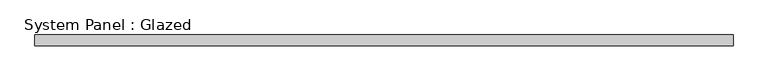
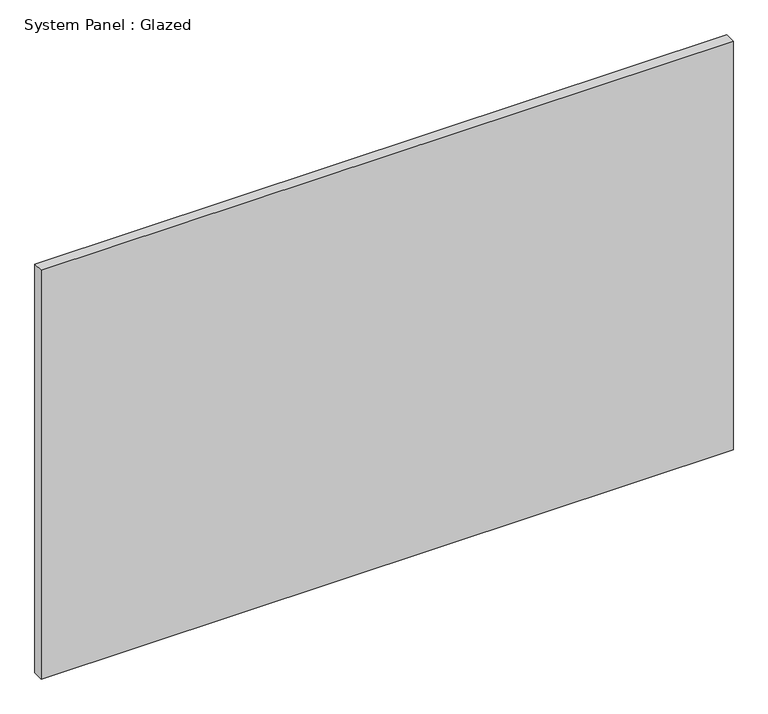
"""IFC4 building model written with IfcOpenShell, lengths in millimetres: plate geometry, System Panel : Glazed."""

from ifc_helpers import new_model, si_unit, origin, origin_with_axes, place, context, project, spatial, polyline, outline, extrude, source, transform, mapped, element, save


def system_panel_glazed_7c0ddc2c(model_context):
    return source(origin(), model_context, "Body", "SweptSolid", [
        extrude(outline(polyline([(809.1455333, 24.5), (-809.1455333, 24.5), (-809.1455333, 49.5), (809.1455333, 49.5), (809.1455333, 24.5)])), origin_with_axes(), (0.0, 0.0, 1.0), 1010.85),
    ])


if __name__ == "__main__":
    model = new_model("IFC4")
    model_context = context("Model", 3, world=origin())
    ifc_project = project(units=[si_unit("LENGTHUNIT", "METRE", prefix="MILLI")], contexts=[model_context])
    site = spatial("IfcSite", under=ifc_project)
    building = spatial("IfcBuilding", under=site)
    placement = place(None, origin())
    system_panel_glazed_shape = system_panel_glazed_7c0ddc2c(model_context)
    element("IfcPlate", 1, ObjectType="System Panel : Glazed", at=placement, inside=building, context=model_context, shape_type="MappedRepresentation", body=[
        mapped(system_panel_glazed_shape, transform((0.0, 0.0, 0.0), x_axis=(1.0, 0.0, 0.0), y_axis=(0.0, 1.0, 0.0), z_axis=(0.0, 0.0, 1.0))),
    ])
    save(model, "model.ifc")
